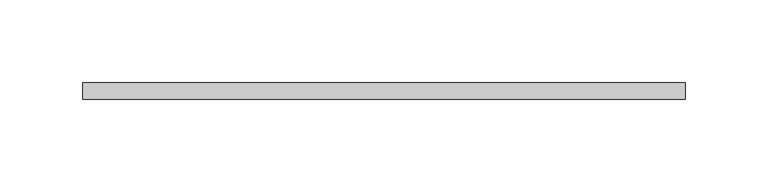
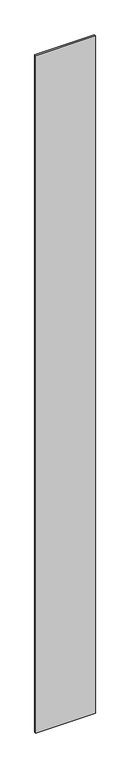
"""IFC4 building model written with IfcOpenShell, lengths in millimetres: plate geometry."""

import ifcopenshell
import ifcopenshell.guid

model = None  # the IFC model being written
_history = None  # IfcOwnerHistory: only IFC2X3 demands one
_inside = {}  # id of a spatial element -> (the spatial element, [elements in it])
_under = {}  # id of a project, library or spatial element -> (it, [spatial elements below it])
_declared = {}  # id of a project -> (the project, [libraries it declares])
_typed = {}  # id of a type object -> (the type object, [elements of that type])
_made_of = {}  # id of a material, layer set ... -> (it, [elements and type objects made of it])


def new_model(schema):
    """Start an empty IFC model of exactly this schema.

    Asked for "IFC4X3", IfcOpenShell would pick the latest addendum, in which some entities
    have other attributes; the version numbers below select the first issue.
    IFC2X3 requires an IfcOwnerHistory on every rooted entity: one is made here for all.
    """
    global model, _history
    if schema == "IFC4X3":
        model = ifcopenshell.file(schema_version=(4, 3, 0, 0))
    else:
        model = ifcopenshell.file(schema=schema)
    _inside.clear()
    _under.clear()
    _declared.clear()
    _typed.clear()
    _made_of.clear()
    _history = None
    if model.schema == "IFC2X3":
        org = make("IfcOrganization", Name="unknown")
        user = make(
            "IfcPersonAndOrganization",
            ThePerson=make("IfcPerson", FamilyName="unknown"),
            TheOrganization=org,
        )
        app = make(
            "IfcApplication",
            ApplicationDeveloper=org,
            Version="unknown",
            ApplicationFullName="unknown",
            ApplicationIdentifier="unknown",
        )
        _history = make(
            "IfcOwnerHistory",
            OwningUser=user,
            OwningApplication=app,
            ChangeAction="ADDED",
            CreationDate=0,
        )
    return model


def make(cls, **values):
    """One entity of the class cls with the attributes given. An attribute that is None is left unset."""
    return model.create_entity(
        cls, **{name: value for name, value in values.items() if value is not None}
    )


def rooted(cls, **values):
    """An entity with a GlobalId (a new one), such as an element, a storey or a relation."""
    return make(cls, GlobalId=ifcopenshell.guid.new(), OwnerHistory=_history, **values)


def si_unit(unit_type, name, prefix=None):
    """IfcSIUnit, for example si_unit("LENGTHUNIT", "METRE", prefix="MILLI")."""
    return make("IfcSIUnit", UnitType=unit_type, Prefix=prefix, Name=name)


def assignment(units):
    """IfcUnitAssignment: the units of a project."""
    return None if units is None else make("IfcUnitAssignment", Units=units)


def point(xyz):
    """IfcCartesianPoint."""
    return None if xyz is None else make("IfcCartesianPoint", Coordinates=xyz)


def direction(xyz):
    """IfcDirection."""
    return None if xyz is None else make("IfcDirection", DirectionRatios=xyz)


def frame(location, z_axis=None, x_axis=None):
    """IfcAxis2Placement3D, a coordinate frame: its origin and axes. An axis left out is left unset."""
    return make(
        "IfcAxis2Placement3D",
        Location=point(location),
        Axis=direction(z_axis),
        RefDirection=direction(x_axis),
    )


def origin():
    """The frame at (0, 0, 0) with its axes left unset."""
    return frame((0.0, 0.0, 0.0))


def origin_with_axes():
    """The frame at (0, 0, 0) with the z axis (0, 0, 1) and the x axis (1, 0, 0) written out."""
    return frame((0.0, 0.0, 0.0), z_axis=(0.0, 0.0, 1.0), x_axis=(1.0, 0.0, 0.0))


def place(relative_to, where):
    """IfcLocalPlacement: puts the frame where relative to a parent placement (None: the world)."""
    return make(
        "IfcLocalPlacement", PlacementRelTo=relative_to, RelativePlacement=where
    )


def context(
    kind, dimensions, precision=None, world=None, true_north=None, identifier=None
):
    """IfcGeometricRepresentationContext, for example the 3D "Model" context."""
    return make(
        "IfcGeometricRepresentationContext",
        ContextIdentifier=identifier,
        ContextType=kind,
        CoordinateSpaceDimension=dimensions,
        Precision=precision,
        WorldCoordinateSystem=world,
        TrueNorth=true_north,
    )


def project(units=None, contexts=None):
    """IfcProject with its units and contexts."""
    return rooted(
        "IfcProject",
        Name="project",
        RepresentationContexts=contexts,
        UnitsInContext=assignment(units),
    )


def spatial(cls, under=None, at=None, **own):
    """A site, building, storey or space (cls), placed at a placement, below another one or the project."""
    s = rooted(cls, ObjectPlacement=at, **own)
    if under is not None:
        _under.setdefault(under.id(), (under, []))[1].append(s)
    return s


def polyline(points):
    """IfcPolyline through the points."""
    return make("IfcPolyline", Points=[point(p) for p in points])


def outline(outer, holes=None, kind="AREA"):
    """IfcArbitraryClosedProfileDef: a profile drawn as a closed curve; with holes, ...WithVoids."""
    if holes is None:
        return make("IfcArbitraryClosedProfileDef", ProfileType=kind, OuterCurve=outer)
    return make(
        "IfcArbitraryProfileDefWithVoids",
        ProfileType=kind,
        OuterCurve=outer,
        InnerCurves=holes,
    )


def extrude(swept, where, along, depth):
    """IfcExtrudedAreaSolid: the profile swept, set in the frame where, extruded along a direction by depth."""
    return make(
        "IfcExtrudedAreaSolid",
        SweptArea=swept,
        Position=where,
        ExtrudedDirection=direction(along),
        Depth=depth,
    )


def shape(context_of_items, identifier, shape_type, items):
    """IfcShapeRepresentation: the items that make up one representation, for example the "Body"."""
    return make(
        "IfcShapeRepresentation",
        ContextOfItems=context_of_items,
        RepresentationIdentifier=identifier,
        RepresentationType=shape_type,
        Items=items,
    )


def source(mapping_origin, context_of_items, identifier, shape_type, items):
    """IfcRepresentationMap: a shape defined once, which mapped items show again and again."""
    return make(
        "IfcRepresentationMap",
        MappingOrigin=mapping_origin,
        MappedRepresentation=shape(context_of_items, identifier, shape_type, items),
    )


def transform(
    local_origin,
    x_axis=None,
    y_axis=None,
    z_axis=None,
    scale=None,
    scale2=None,
    scale3=None,
    uniform=True,
):
    """IfcCartesianTransformationOperator3D, or its non-uniform kind. x_axis, y_axis, z_axis: its Axis1, 2, 3."""
    if uniform:
        return make(
            "IfcCartesianTransformationOperator3D",
            Axis1=direction(x_axis),
            Axis2=direction(y_axis),
            LocalOrigin=point(local_origin),
            Scale=scale,
            Axis3=direction(z_axis),
        )
    return make(
        "IfcCartesianTransformationOperator3DnonUniform",
        Axis1=direction(x_axis),
        Axis2=direction(y_axis),
        LocalOrigin=point(local_origin),
        Scale=scale,
        Axis3=direction(z_axis),
        Scale2=scale2,
        Scale3=scale3,
    )


def mapped(mapping_source, mapping_target):
    """IfcMappedItem: shows the shape of a source again, moved by a transform."""
    return make(
        "IfcMappedItem", MappingSource=mapping_source, MappingTarget=mapping_target
    )


def made_of(thing, what):
    """Note that an element or type object is made of a material, layer set ...; save() writes the relation."""
    if what is not None:
        _made_of.setdefault(what.id(), (what, []))[1].append(thing)
    return thing


def element(
    cls,
    number,
    at=None,
    inside=None,
    cuts=None,
    type_object=None,
    material=None,
    context=None,
    identifier="Body",
    shape_type=None,
    held_by="IfcProductDefinitionShape",
    body=None,
    shapes=None,
    **own,
):
    """One element of the class cls, such as IfcWall. Its Tag is "e" and its number.

    at: its placement. inside: the storey or other place that contains it. cuts: it is an
    opening in that element (IfcRelVoidsElement). A single representation is given by context,
    identifier, shape_type and body (its items); several are given by shapes. held_by: the class
    of the entity that holds the representations. save() writes the other relations.
    """
    e = rooted(cls, Tag="e%d" % number, ObjectPlacement=at, **own)
    if body is not None:
        shapes = [shape(context, identifier, shape_type, body)]
    if shapes is not None:
        e.Representation = make(held_by, Representations=shapes)
    if inside is not None:
        _inside.setdefault(inside.id(), (inside, []))[1].append(e)
    if cuts is not None:
        rooted(
            "IfcRelVoidsElement", RelatingBuildingElement=cuts, RelatedOpeningElement=e
        )
    if type_object is not None:
        _typed.setdefault(type_object.id(), (type_object, []))[1].append(e)
    return made_of(e, material)


def aggregate(whole, parts):
    """IfcRelAggregates: a whole, such as a stair, and the parts it consists of."""
    return rooted("IfcRelAggregates", RelatingObject=whole, RelatedObjects=parts)


def save(model, path):
    """Write the relations noted so far, then the file.

    IfcRelAggregates (storeys below a building ...), IfcRelContainedInSpatialStructure (elements
    in a storey), IfcRelDefinesByType, IfcRelAssociatesMaterial and IfcRelDeclares: one each for
    every whole, place, type object, material and project.
    """
    for whole, parts in _under.values():
        aggregate(whole, parts)
    for where, things in _inside.values():
        rooted(
            "IfcRelContainedInSpatialStructure",
            RelatedElements=things,
            RelatingStructure=where,
        )
    for kind, things in _typed.values():
        rooted("IfcRelDefinesByType", RelatedObjects=things, RelatingType=kind)
    for what, things in _made_of.values():
        rooted("IfcRelAssociatesMaterial", RelatedObjects=things, RelatingMaterial=what)
    for by, libraries in _declared.values():
        rooted("IfcRelDeclares", RelatingContext=by, RelatedDefinitions=libraries)
    model.write(path)


def plate_78fac9da(model_context):
    return source(origin(), model_context, "Body", "SweptSolid", [
        extrude(outline(polyline([(181.6666667, -5.0), (-181.6666667, -5.0), (-181.6666667, 5.0), (181.6666667, 5.0), (181.6666667, -5.0)])), origin_with_axes(), (0.0, 0.0, 1.0), 4360.0),
    ])


if __name__ == "__main__":
    model = new_model("IFC4")
    model_context = context("Model", 3, world=origin())
    ifc_project = project(units=[si_unit("LENGTHUNIT", "METRE", prefix="MILLI")], contexts=[model_context])
    site = spatial("IfcSite", under=ifc_project)
    building = spatial("IfcBuilding", under=site)
    placement = place(None, origin())
    plate_shape = plate_78fac9da(model_context)
    element("IfcPlate", 1, at=placement, inside=building, context=model_context, shape_type="MappedRepresentation", body=[
        mapped(plate_shape, transform((0.0, 0.0, 0.0), x_axis=(1.0, 0.0, 0.0), y_axis=(0.0, 1.0, 0.0), z_axis=(0.0, 0.0, 1.0))),
    ])
    save(model, "model.ifc")
